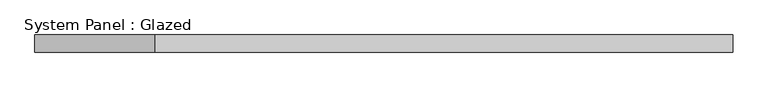
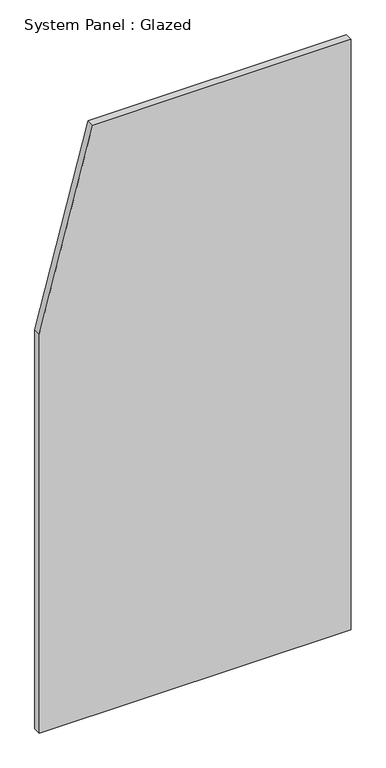
"""IFC4 building model written with IfcOpenShell, lengths in millimetres: plate geometry, System Panel : Glazed."""

from ifc_helpers import new_model, si_unit, frame, origin, place, context, project, spatial, polyline, outline, extrude, source, transform, mapped, element, save


def system_panel_glazed_c75c0328(model_context):
    return source(origin(), model_context, "Body", "SweptSolid", [
        extrude(outline(polyline([(0.0, -500.0), (0.0, 500.0), (2000.0, 500.0), (2000.0, -328.5714289), (1351.3513525, -500.0), (0.0, -500.0)])), frame((0.0, 24.5, 0.0), z_axis=(0.0, 1.0, 0.0), x_axis=(0.0, 0.0, 1.0)), (0.0, 0.0, 1.0), 25.0),
    ])


if __name__ == "__main__":
    model = new_model("IFC4")
    model_context = context("Model", 3, world=origin())
    ifc_project = project(units=[si_unit("LENGTHUNIT", "METRE", prefix="MILLI")], contexts=[model_context])
    site = spatial("IfcSite", under=ifc_project)
    building = spatial("IfcBuilding", under=site)
    placement = place(None, origin())
    system_panel_glazed_shape = system_panel_glazed_c75c0328(model_context)
    element("IfcPlate", 1, ObjectType="System Panel : Glazed", at=placement, inside=building, context=model_context, shape_type="MappedRepresentation", body=[
        mapped(system_panel_glazed_shape, transform((0.0, 0.0, 0.0), x_axis=(1.0, 0.0, 0.0), y_axis=(0.0, 1.0, 0.0), z_axis=(0.0, 0.0, 1.0))),
    ])
    save(model, "model.ifc")
